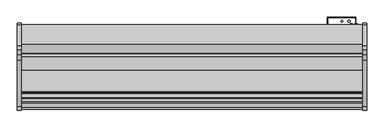
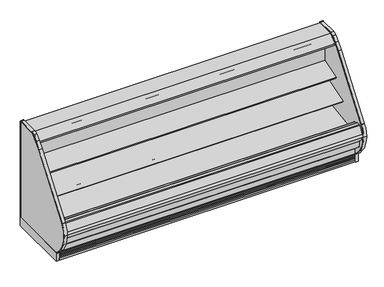
"""IFC4 building model written with IfcOpenShell, lengths in millimetres: proxy geometry."""

from ifc_helpers import new_model, si_unit, point, frame, frame_2d, origin, origin_with_axes, place, context, project, spatial, polyline, circle_curve, trimmed, segment, composite_curve, outline, extrude, source, transform, mapped, element, save
from ifc_brep_helpers import plane_surface, cylinder_surface, revolved_surface, advanced_brep


def mechanical_equipment_7a550331(model_context):
    return source(origin(), model_context, "Body", "SolidModel", [
        extrude(outline(composite_curve([segment(polyline([(-514.5184043, 1280.7980838), (-504.8108903, 1283.7963787), (-504.5441858, 1282.9328752), (-503.4770145, 1282.9328752), (-503.4770145, 1189.1685435), (-528.7722287, 1185.6157473)]), True, "CONTINUOUS"), segment(trimmed(circle_curve(frame_2d((-528.9121117, 1187.1894225)), 1.57988), [point((-528.7722287, 1185.6157473))], [point((-530.4766164, 1186.9695457))], False, "CARTESIAN"), True, "CONTINUOUS"), segment(polyline([(-530.4766164, 1186.9695457), (-531.3614261, 1193.2652938), (-530.5766584, 1193.3755857), (-529.5822638, 1186.3001005), (-506.0015054, 1189.61416), (-520.0975442, 1289.912687), (-542.8581255, 1286.8903314)]), True, "CONTINUOUS"), segment(trimmed(circle_curve(frame_2d((-542.7544773, 1286.109783)), 0.7874), [point((-542.8581255, 1286.8903314))], [point((-543.5350257, 1286.0061347))], True, "CARTESIAN"), True, "CONTINUOUS"), segment(polyline([(-543.5350257, 1286.0061347), (-542.5119167, 1278.3013646), (-543.2924653, 1278.1977184), (-544.3155741, 1285.9024865)]), True, "CONTINUOUS"), segment(trimmed(circle_curve(frame_2d((-542.7544773, 1286.109783)), 1.5748), [point((-544.3155741, 1285.9024865))], [point((-542.9617738, 1287.6708798))], False, "CARTESIAN"), True, "CONTINUOUS"), segment(polyline([(-542.9617738, 1287.6708798), (-518.9973626, 1290.8530909)]), True, "CONTINUOUS"), segment(trimmed(circle_curve(frame_2d((-518.7900661, 1289.2919941)), 1.5748), [point((-518.9973626, 1290.8530909))], [point((-517.2854014, 1289.7567298))], False, "CARTESIAN"), True, "CONTINUOUS"), segment(polyline([(-517.2854014, 1289.7567298), (-514.5184043, 1280.7980838)]), True, "CONTINUOUS")], self_intersect=False)), frame((0.0, 0.0, 0.0), z_axis=(1.0, 0.0, 0.0), x_axis=(0.0, 1.0, 0.0)), (0.0, 0.0, 1.0), 3657.6),
        extrude(outline(polyline([(-401.5089273, 1362.075), (-401.5089273, 1315.6470648), (-452.3089273, 1315.6470648), (-452.3089273, 1282.9328752), (-504.5441858, 1282.9328752), (-506.6234348, 1289.6648143), (-511.417881, 1288.1839857), (-535.4879211, 1316.8695425), (-642.2562389, 1316.8695425), (-643.0944389, 1316.0313425), (-643.0944389, 1304.9061425), (-643.6525285, 1303.7273324), (-688.2903714, 1267.1513324), (-689.2562818, 1266.8061425), (-700.752905, 1266.8061425), (-700.752905, 1264.8743669), (-715.8669232, 1264.8743669), (-715.8669232, 1283.1433169), (-715.2737617, 1284.3869059), (-619.3369552, 1362.075), (-401.5089273, 1362.075)])), frame((0.0, 0.0, 0.0), z_axis=(1.0, 0.0, 0.0), x_axis=(0.0, 1.0, 0.0)), (0.0, 0.0, 1.0), 3657.6),
        extrude(outline(composite_curve([segment(polyline([(-506.0015054, 1189.61416), (-529.5822638, 1186.3001005), (-530.5766584, 1193.3755857), (-542.5070926, 1278.2650359), (-543.5350257, 1286.0061347)]), True, "CONTINUOUS"), segment(trimmed(circle_curve(frame_2d((-542.7544773, 1286.109783)), 0.7874), [point((-543.5350257, 1286.0061347))], [point((-542.8581255, 1286.8903314))], False, "CARTESIAN"), True, "CONTINUOUS"), segment(polyline([(-542.8581255, 1286.8903314), (-520.0975442, 1289.912687), (-506.0015054, 1189.61416)]), True, "CONTINUOUS")], self_intersect=False)), frame((0.0, 0.0, 0.0), z_axis=(1.0, 0.0, 0.0), x_axis=(0.0, 1.0, 0.0)), (0.0, 0.0, 1.0), 3657.6),
        extrude(outline(composite_curve([segment(trimmed(circle_curve(frame_2d((-586.8315353, 1290.8268376)), 14.2875), [point((-601.1190353, 1290.8268376))], [point((-572.5440353, 1290.8268376))], False, "CARTESIAN"), True, "CONTINUOUS"), segment(trimmed(circle_curve(frame_2d((-586.8315353, 1290.8268376)), 14.2875), [point((-572.5440353, 1290.8268376))], [point((-601.1190353, 1290.8268376))], False, "CARTESIAN"), True, "CONTINUOUS")], self_intersect=False)), frame((0.0, 0.0, 0.0), z_axis=(1.0, 0.0, 0.0), x_axis=(0.0, 1.0, 0.0)), (0.0, 0.0, 1.0), 3657.6),
        extrude(outline(composite_curve([segment(trimmed(circle_curve(frame_2d((-624.2203353, 1290.8268376)), 14.2875), [point((-638.5078353, 1290.8268376))], [point((-609.9328353, 1290.8268376))], False, "CARTESIAN"), True, "CONTINUOUS"), segment(trimmed(circle_curve(frame_2d((-624.2203353, 1290.8268376)), 14.2875), [point((-609.9328353, 1290.8268376))], [point((-638.5078353, 1290.8268376))], False, "CARTESIAN"), True, "CONTINUOUS")], self_intersect=False)), frame((0.0, 0.0, 0.0), z_axis=(1.0, 0.0, 0.0), x_axis=(0.0, 1.0, 0.0)), (0.0, 0.0, 1.0), 3657.6),
        extrude(outline(composite_curve([segment(polyline([(-1152.4160029, 116.4176483), (-1152.4160029, 109.8489673)]), True, "CONTINUOUS"), segment(trimmed(circle_curve(frame_2d((-1137.0029315, 171.45)), 63.5), [point((-1152.4160029, 109.8489673))], [point((-1185.6467537, 130.6329868))], False, "CARTESIAN"), True, "CONTINUOUS"), segment(polyline([(-1185.6467537, 130.6329868), (-1235.6359944, 190.2078441)]), True, "CONTINUOUS"), segment(trimmed(circle_curve(frame_2d((-941.4801647, 437.0338923)), 383.9931644), [point((-1235.6359944, 190.2078441))], [point((-1325.4388699, 431.8896718))], False, "CARTESIAN"), True, "CONTINUOUS"), segment(trimmed(circle_curve(frame_2d((-1076.0701893, 427.3006938)), 249.410901), [point((-1325.4388699, 431.8896718))], [point((-1281.6253076, 568.555396))], False, "CARTESIAN"), True, "CONTINUOUS"), segment(trimmed(circle_curve(frame_2d((-1267.5211401, 561.2160445)), 15.8994849), [point((-1281.6253076, 568.555396))], [point((-1280.2425143, 570.7533533))], False, "CARTESIAN"), True, "CONTINUOUS"), segment(polyline([(-1280.2425143, 570.7533533), (-784.9351025, 1231.4209529)]), True, "CONTINUOUS"), segment(trimmed(circle_curve(frame_2d((-245.5130426, 827.0122237)), 674.1828973), [point((-784.9351025, 1231.4209529))], [point((-722.232341, 1303.7315221))], False, "CARTESIAN"), True, "CONTINUOUS"), segment(polyline([(-722.232341, 1303.7315221), (-669.2351533, 1356.7287098)]), True, "CONTINUOUS"), segment(trimmed(circle_curve(frame_2d((-625.6675547, 1313.1611112)), 61.6138888), [point((-669.2351533, 1356.7287098))], [point((-625.6675547, 1374.775))], False, "CARTESIAN"), True, "CONTINUOUS"), segment(polyline([(-625.6675547, 1374.775), (-403.2506698, 1374.775)]), True, "CONTINUOUS"), segment(trimmed(circle_curve(frame_2d((-403.2506698, 1357.1582575)), 17.6167425), [point((-403.2506698, 1374.775))], [point((-385.6339273, 1357.1582575))], False, "CARTESIAN"), True, "CONTINUOUS"), segment(polyline([(-385.6339273, 1357.1582575), (-385.6339273, 114.3), (-391.9839273, 114.3), (-391.9839273, 1357.1582575)]), True, "CONTINUOUS"), segment(trimmed(circle_curve(frame_2d((-403.2506698, 1357.1582575)), 11.2667425), [point((-391.9839273, 1357.1582575))], [point((-403.2506698, 1368.425))], True, "CARTESIAN"), True, "CONTINUOUS"), segment(polyline([(-403.2506698, 1368.425), (-625.6675547, 1368.425)]), True, "CONTINUOUS"), segment(trimmed(circle_curve(frame_2d((-625.6675547, 1313.1611112)), 55.2638888), [point((-625.6675547, 1368.425))], [point((-664.7450253, 1352.2385817))], True, "CARTESIAN"), True, "CONTINUOUS"), segment(polyline([(-664.7450253, 1352.2385817), (-717.7422129, 1299.2413941)]), True, "CONTINUOUS"), segment(trimmed(circle_curve(frame_2d((-245.5130426, 827.0122237)), 667.8328973), [point((-717.7422129, 1299.2413941))], [point((-779.8543891, 1227.6119043))], True, "CARTESIAN"), True, "CONTINUOUS"), segment(polyline([(-779.8543891, 1227.6119043), (-1275.1618009, 566.9443047)]), True, "CONTINUOUS"), segment(trimmed(circle_curve(frame_2d((-1267.5211401, 561.2160445)), 9.5494849), [point((-1275.1618009, 566.9443047))], [point((-1276.1447735, 565.3179477))], True, "CARTESIAN"), True, "CONTINUOUS"), segment(trimmed(circle_curve(frame_2d((-1076.0701893, 427.3006938)), 243.060901), [point((-1276.1447735, 565.3179477))], [point((-1319.0880705, 431.8735543))], True, "CARTESIAN"), True, "CONTINUOUS"), segment(trimmed(circle_curve(frame_2d((-941.4801647, 437.0338923)), 377.6431644), [point((-1319.0880705, 431.8735543))], [point((-1230.7716122, 194.2895454))], True, "CARTESIAN"), True, "CONTINUOUS"), segment(polyline([(-1230.7716122, 194.2895454), (-1180.7823715, 134.7146881)]), True, "CONTINUOUS"), segment(trimmed(circle_curve(frame_2d((-1137.0029315, 171.45)), 57.15), [point((-1180.7823715, 134.7146881))], [point((-1152.4160029, 116.4176483))], True, "CARTESIAN"), True, "CONTINUOUS")], self_intersect=False)), frame((3657.6, 0.0, 0.0), z_axis=(1.0, 0.0, 0.0), x_axis=(0.0, 1.0, 0.0)), (0.0, 0.0, 1.0), 38.1),
        extrude(outline(composite_curve([segment(trimmed(circle_curve(frame_2d((-1137.0029315, 171.45)), 57.15), [point((-1152.4160029, 116.4176483))], [point((-1180.7823715, 134.7146881))], False, "CARTESIAN"), True, "CONTINUOUS"), segment(polyline([(-1180.7823715, 134.7146881), (-1230.7716122, 194.2895454)]), True, "CONTINUOUS"), segment(trimmed(circle_curve(frame_2d((-941.4801647, 437.0338923)), 377.6431644), [point((-1230.7716122, 194.2895454))], [point((-1319.0880705, 431.8735543))], False, "CARTESIAN"), True, "CONTINUOUS"), segment(trimmed(circle_curve(frame_2d((-1076.0701893, 427.3006938)), 243.060901), [point((-1319.0880705, 431.8735543))], [point((-1270.5462172, 573.1008179))], False, "CARTESIAN"), True, "CONTINUOUS"), segment(polyline([(-1270.5462172, 573.1008179), (-779.8543891, 1227.6119043)]), True, "CONTINUOUS"), segment(trimmed(circle_curve(frame_2d((-245.5130426, 827.0122237)), 667.8328973), [point((-779.8543891, 1227.6119043))], [point((-717.7422129, 1299.2413941))], False, "CARTESIAN"), True, "CONTINUOUS"), segment(polyline([(-717.7422129, 1299.2413941), (-664.7450253, 1352.2385817)]), True, "CONTINUOUS"), segment(trimmed(circle_curve(frame_2d((-625.6675547, 1313.1611112)), 55.2638888), [point((-664.7450253, 1352.2385817))], [point((-625.6675547, 1368.425))], False, "CARTESIAN"), True, "CONTINUOUS"), segment(polyline([(-625.6675547, 1368.425), (-403.2506698, 1368.425)]), True, "CONTINUOUS"), segment(trimmed(circle_curve(frame_2d((-403.2506698, 1357.1582575)), 11.2667425), [point((-403.2506698, 1368.425))], [point((-391.9839273, 1357.1582575))], False, "CARTESIAN"), True, "CONTINUOUS"), segment(polyline([(-391.9839273, 1357.1582575), (-391.9839273, 114.3), (-1152.4160029, 114.3), (-1152.4160029, 116.4176483)]), True, "CONTINUOUS")], self_intersect=False)), frame((3657.6, 0.0, 0.0), z_axis=(1.0, 0.0, 0.0), x_axis=(0.0, 1.0, 0.0)), (0.0, 0.0, 1.0), 38.1),
        extrude(outline(polyline([(3695.7, -385.6339273), (3695.7, -1152.4160029), (3657.6, -1152.4160029), (3657.6, -385.6339273), (3695.7, -385.6339273)])), origin_with_axes(), (0.0, 0.0, 1.0), 114.3),
        extrude(outline(composite_curve([segment(trimmed(circle_curve(frame_2d((-1295.6519401, 432.0003811)), 17.0866011), [point((-1296.4879309, 414.9342433))], [point((-1296.7411816, 449.0522282))], False, "CARTESIAN"), True, "CONTINUOUS"), segment(trimmed(circle_curve(frame_2d((-1124.8312387, 403.6702581)), 177.7991891), [point((-1296.7411816, 449.0522282))], [point((-1298.0862131, 443.6110334))], True, "CARTESIAN"), True, "CONTINUOUS"), segment(trimmed(circle_curve(frame_2d((-1171.2742697, 436.2958797)), 127.0227557), [point((-1298.0862131, 443.6110334))], [point((-1296.4879309, 414.9342433))], True, "CARTESIAN"), True, "CONTINUOUS")], self_intersect=False)), frame((0.0, 0.0, 0.0), z_axis=(1.0, 0.0, 0.0), x_axis=(0.0, 1.0, 0.0)), (0.0, 0.0, 1.0), 3657.6),
        extrude(outline(composite_curve([segment(trimmed(circle_curve(frame_2d((3497.8362287, -1007.9339273)), 12.7), [point((3485.1362287, -1007.9339273))], [point((3510.5362287, -1007.9339273))], False, "CARTESIAN"), True, "CONTINUOUS"), segment(trimmed(circle_curve(frame_2d((3497.8362287, -1007.9339273)), 12.7), [point((3510.5362287, -1007.9339273))], [point((3485.1362287, -1007.9339273))], False, "CARTESIAN"), True, "CONTINUOUS")], self_intersect=False)), frame((0.0, 0.0, 68.5310382), z_axis=(0.0, 0.0, 1.0), x_axis=(1.0, 0.0, 0.0)), (0.0, 0.0, 1.0), 52.7807458),
        extrude(outline(composite_curve([segment(trimmed(circle_curve(frame_2d((3447.63831, -1007.9339273)), 9.525), [point((3438.11331, -1007.9339273))], [point((3457.16331, -1007.9339273))], False, "CARTESIAN"), True, "CONTINUOUS"), segment(trimmed(circle_curve(frame_2d((3447.63831, -1007.9339273)), 9.525), [point((3457.16331, -1007.9339273))], [point((3438.11331, -1007.9339273))], False, "CARTESIAN"), True, "CONTINUOUS")], self_intersect=False)), frame((0.0, 0.0, 68.5310382), z_axis=(0.0, 0.0, 1.0), x_axis=(1.0, 0.0, 0.0)), (0.0, 0.0, 1.0), 52.7807458),
        extrude(outline(polyline([(0.0, -385.6339273), (0.0, -1152.4160029), (-38.1, -1152.4160029), (-38.1, -385.6339273), (0.0, -385.6339273)])), origin_with_axes(), (0.0, 0.0, 1.0), 114.3),
        extrude(outline(composite_curve([segment(polyline([(-1152.4160029, 116.4176483), (-1152.4160029, 109.8489673)]), True, "CONTINUOUS"), segment(trimmed(circle_curve(frame_2d((-1137.0029315, 171.45)), 63.5), [point((-1152.4160029, 109.8489673))], [point((-1185.6467537, 130.6329868))], False, "CARTESIAN"), True, "CONTINUOUS"), segment(polyline([(-1185.6467537, 130.6329868), (-1235.6359944, 190.2078441)]), True, "CONTINUOUS"), segment(trimmed(circle_curve(frame_2d((-941.4801647, 437.0338923)), 383.9931644), [point((-1235.6359944, 190.2078441))], [point((-1325.4388699, 431.8896718))], False, "CARTESIAN"), True, "CONTINUOUS"), segment(trimmed(circle_curve(frame_2d((-1076.0701893, 427.3006938)), 249.410901), [point((-1325.4388699, 431.8896718))], [point((-1281.6253076, 568.555396))], False, "CARTESIAN"), True, "CONTINUOUS"), segment(trimmed(circle_curve(frame_2d((-1267.5211401, 561.2160445)), 15.8994849), [point((-1281.6253076, 568.555396))], [point((-1280.2425143, 570.7533533))], False, "CARTESIAN"), True, "CONTINUOUS"), segment(polyline([(-1280.2425143, 570.7533533), (-784.9351025, 1231.4209529)]), True, "CONTINUOUS"), segment(trimmed(circle_curve(frame_2d((-245.5130426, 827.0122237)), 674.1828973), [point((-784.9351025, 1231.4209529))], [point((-722.232341, 1303.7315221))], False, "CARTESIAN"), True, "CONTINUOUS"), segment(polyline([(-722.232341, 1303.7315221), (-669.2351533, 1356.7287098)]), True, "CONTINUOUS"), segment(trimmed(circle_curve(frame_2d((-625.6675547, 1313.1611112)), 61.6138888), [point((-669.2351533, 1356.7287098))], [point((-625.6675547, 1374.775))], False, "CARTESIAN"), True, "CONTINUOUS"), segment(polyline([(-625.6675547, 1374.775), (-403.2506698, 1374.775)]), True, "CONTINUOUS"), segment(trimmed(circle_curve(frame_2d((-403.2506698, 1357.1582575)), 17.6167425), [point((-403.2506698, 1374.775))], [point((-385.6339273, 1357.1582575))], False, "CARTESIAN"), True, "CONTINUOUS"), segment(polyline([(-385.6339273, 1357.1582575), (-385.6339273, 114.3), (-391.9839273, 114.3), (-391.9839273, 1357.1582575)]), True, "CONTINUOUS"), segment(trimmed(circle_curve(frame_2d((-403.2506698, 1357.1582575)), 11.2667425), [point((-391.9839273, 1357.1582575))], [point((-403.2506698, 1368.425))], True, "CARTESIAN"), True, "CONTINUOUS"), segment(polyline([(-403.2506698, 1368.425), (-625.6675547, 1368.425)]), True, "CONTINUOUS"), segment(trimmed(circle_curve(frame_2d((-625.6675547, 1313.1611112)), 55.2638888), [point((-625.6675547, 1368.425))], [point((-664.7450253, 1352.2385817))], True, "CARTESIAN"), True, "CONTINUOUS"), segment(polyline([(-664.7450253, 1352.2385817), (-717.7422129, 1299.2413941)]), True, "CONTINUOUS"), segment(trimmed(circle_curve(frame_2d((-245.5130426, 827.0122237)), 667.8328973), [point((-717.7422129, 1299.2413941))], [point((-779.8543891, 1227.6119043))], True, "CARTESIAN"), True, "CONTINUOUS"), segment(polyline([(-779.8543891, 1227.6119043), (-1270.5462172, 573.1008179)]), True, "CONTINUOUS"), segment(trimmed(circle_curve(frame_2d((-1076.0701893, 427.3006938)), 243.060901), [point((-1270.5462172, 573.1008179))], [point((-1319.0880705, 431.8735543))], True, "CARTESIAN"), True, "CONTINUOUS"), segment(trimmed(circle_curve(frame_2d((-941.4801647, 437.0338923)), 377.6431644), [point((-1319.0880705, 431.8735543))], [point((-1230.7716122, 194.2895454))], True, "CARTESIAN"), True, "CONTINUOUS"), segment(polyline([(-1230.7716122, 194.2895454), (-1180.7823715, 134.7146881)]), True, "CONTINUOUS"), segment(trimmed(circle_curve(frame_2d((-1137.0029315, 171.45)), 57.15), [point((-1180.7823715, 134.7146881))], [point((-1152.4160029, 116.4176483))], True, "CARTESIAN"), True, "CONTINUOUS")], self_intersect=False)), frame((-38.1, 0.0, 0.0), z_axis=(1.0, 0.0, 0.0), x_axis=(0.0, 1.0, 0.0)), (0.0, 0.0, 1.0), 38.1),
        extrude(outline(composite_curve([segment(trimmed(circle_curve(frame_2d((-1137.0029315, 171.45)), 57.15), [point((-1152.4160029, 116.4176483))], [point((-1180.7823715, 134.7146881))], False, "CARTESIAN"), True, "CONTINUOUS"), segment(polyline([(-1180.7823715, 134.7146881), (-1230.7716122, 194.2895454)]), True, "CONTINUOUS"), segment(trimmed(circle_curve(frame_2d((-941.4801647, 437.0338923)), 377.6431644), [point((-1230.7716122, 194.2895454))], [point((-1319.0880705, 431.8735543))], False, "CARTESIAN"), True, "CONTINUOUS"), segment(trimmed(circle_curve(frame_2d((-1076.0701893, 427.3006938)), 243.060901), [point((-1319.0880705, 431.8735543))], [point((-1270.5462172, 573.1008179))], False, "CARTESIAN"), True, "CONTINUOUS"), segment(polyline([(-1270.5462172, 573.1008179), (-779.8543891, 1227.6119043)]), True, "CONTINUOUS"), segment(trimmed(circle_curve(frame_2d((-245.5130426, 827.0122237)), 667.8328973), [point((-779.8543891, 1227.6119043))], [point((-717.7422129, 1299.2413941))], False, "CARTESIAN"), True, "CONTINUOUS"), segment(polyline([(-717.7422129, 1299.2413941), (-664.7450253, 1352.2385817)]), True, "CONTINUOUS"), segment(trimmed(circle_curve(frame_2d((-625.6675547, 1313.1611112)), 55.2638888), [point((-664.7450253, 1352.2385817))], [point((-625.6675547, 1368.425))], False, "CARTESIAN"), True, "CONTINUOUS"), segment(polyline([(-625.6675547, 1368.425), (-403.2506698, 1368.425)]), True, "CONTINUOUS"), segment(trimmed(circle_curve(frame_2d((-403.2506698, 1357.1582575)), 11.2667425), [point((-403.2506698, 1368.425))], [point((-391.9839273, 1357.1582575))], False, "CARTESIAN"), True, "CONTINUOUS"), segment(polyline([(-391.9839273, 1357.1582575), (-391.9839273, 114.3), (-1152.4160029, 114.3), (-1152.4160029, 116.4176483)]), True, "CONTINUOUS")], self_intersect=False)), frame((-38.1, 0.0, 0.0), z_axis=(1.0, 0.0, 0.0), x_axis=(0.0, 1.0, 0.0)), (0.0, 0.0, 1.0), 38.1),
        extrude(outline(polyline([(3578.225, -401.5089273), (3578.225, -328.4839273), (3279.775, -328.4839273), (3279.775, -401.5089273), (3276.6, -401.5089273), (3276.6, -325.3089273), (3581.4, -325.3089273), (3581.4, -401.5089273), (3578.225, -401.5089273)])), frame((0.0, 0.0, 522.6122796), z_axis=(0.0, 0.0, 1.0), x_axis=(1.0, 0.0, 0.0)), (0.0, 0.0, 1.0), 710.3489092),
        advanced_brep(
        [(0.0, -401.5089273, 1315.6470648), (0.0, -401.5089273, 130.175), (0.0, -1092.9329421, 130.175), (0.0, -1242.6779256, 255.8259604), (0.0, -1242.6779256, 390.4771975), (0.0, -1191.6695874, 390.4771975), (0.0, -1191.6695874, 280.6965658), (0.0, -1081.6882807, 188.4112919), (0.0, -1075.5167374, 188.6268069), (0.0, -1036.8125365, 160.6272219), (0.0, -1035.5745571, 160.670453), (0.0, -1022.2030531, 151.6562137), (0.0, -961.9148015, 153.7615258), (0.0, -949.2046713, 163.6865559), (0.0, -947.966692, 163.7297871), (0.0, -911.2586215, 194.4039054), (0.0, -452.3089273, 210.4307819), (0.0, -452.3089273, 1315.6470648), (3657.6, -401.5089273, 1315.6470648), (3657.6, -452.3089273, 1315.6470648), (3657.6, -452.3089273, 210.4307819), (3657.6, -911.2586215, 194.4039054), (3657.6, -947.966692, 163.7297871), (3657.6, -949.2046713, 163.6865559), (3657.6, -961.9148015, 153.7615258), (3657.6, -1022.2030531, 151.6562137), (3657.6, -1035.5745571, 160.670453), (3657.6, -1036.8125365, 160.6272219), (3657.6, -1075.5167374, 188.6268069), (3657.6, -1081.6882807, 188.4112919), (3657.6, -1191.6695874, 280.6965658), (3657.6, -1191.6695874, 390.4771975), (3657.6, -1242.6779256, 390.4771975), (3657.6, -1242.6779256, 255.8259604), (3657.6, -1092.9329421, 130.175), (3657.6, -401.5089273, 130.175), (3556.0, -401.5089273, 368.3), (3556.0, -401.5089273, 266.7), (3556.0, -446.7209273, 266.7), (3556.0, -446.7209273, 368.3)],
        [
            (0, 1),
            (1, 2),
            (2, 3),
            (3, 4),
            (4, 5),
            (5, 6),
            (6, 7),
            (7, 8),
            (8, 9),
            (9, 10),
            (10, 11),
            (11, 12),
            (12, 13),
            (13, 14),
            (14, 15),
            (15, 16),
            (16, 17),
            (17, 0),
            (18, 19),
            (19, 20),
            (20, 21),
            (21, 22),
            (22, 23),
            (23, 24),
            (24, 25),
            (25, 26),
            (26, 27),
            (27, 28),
            (28, 29),
            (29, 30),
            (30, 31),
            (31, 32),
            (32, 33),
            (33, 34),
            (34, 35),
            (35, 18),
            (17, 19),
            (18, 0),
            (16, 20),
            (1, 35),
            (34, 2),
            (36, 37, circle_curve(frame((3556.0, -401.5089273, 317.5), z_axis=(0.0, -1.0, 0.0), x_axis=(0.0, 0.0, 1.0)), 50.8)),
            (37, 36, circle_curve(frame((3556.0, -401.5089273, 317.5), z_axis=(0.0, -1.0, 0.0), x_axis=(0.0, 0.0, 1.0)), 50.8)),
            (38, 39, circle_curve(frame((3556.0, -446.7209273, 317.5), z_axis=(0.0, 1.0, 0.0), x_axis=(0.0, 0.0, 1.0)), 50.8)),
            (39, 38, circle_curve(frame((3556.0, -446.7209273, 317.5), z_axis=(0.0, 1.0, 0.0), x_axis=(0.0, 0.0, 1.0)), 50.8)),
            (38, 37),
            (36, 39),
            (15, 21),
            (14, 22),
            (13, 23),
            (12, 24),
            (11, 25),
            (10, 26),
            (9, 27),
            (8, 28),
            (7, 29),
            (6, 30),
            (5, 31),
            (4, 32),
            (3, 33),
        ],
        [
            plane_surface(frame((0.0, -452.3089273, 1315.6470648), z_axis=(-1.0, 0.0, 0.0), x_axis=(0.0, 1.0, 0.0))),
            plane_surface(frame((3657.6, -452.3089273, 1315.6470648), z_axis=(1.0, 0.0, 0.0), x_axis=(0.0, -1.0, 0.0))),
            plane_surface(frame((3657.6, -401.5089273, 1315.6470648), z_axis=(0.0, 0.0, 1.0), x_axis=(-1.0, 0.0, 0.0))),
            plane_surface(frame((3657.6, -452.3089273, 1315.6470648), z_axis=(0.0, -1.0, 0.0), x_axis=(-1.0, 0.0, 0.0))),
            plane_surface(frame((3657.6, -1092.9329421, 130.175), z_axis=(0.0, 0.0, -1.0), x_axis=(-1.0, 0.0, 0.0))),
            plane_surface(frame((3657.6, -401.5089273, 130.175), z_axis=(0.0, 1.0, 0.0), x_axis=(-1.0, 0.0, 0.0))),
            plane_surface(frame((3556.0, -446.7209273, 368.3), z_axis=(0.0, 1.0, 0.0), x_axis=(-1.0, 0.0, 0.0))),
            revolved_surface(polyline([(3556.0, -401.5089273, 368.3), (3556.0, -446.7209273, 368.3)]), (3556.0, -446.7209273, 317.5), (0.0, 1.0, 0.0)),
            plane_surface(frame((3657.6, -452.3089273, 210.4307819), z_axis=(0.0, -0.034899496702464096, 0.9993908270190971), x_axis=(-1.0, 0.0, 0.0))),
            plane_surface(frame((3657.6, -911.2586215, 194.4039054), z_axis=(0.0, -0.6412208566386186, 0.7673563794037528), x_axis=(-1.0, 0.0, 0.0))),
            plane_surface(frame((3657.6, -947.966692, 163.7297871), z_axis=(0.0, -0.03489949670032392, 0.9993908270191718), x_axis=(-1.0, 0.0, 0.0))),
            plane_surface(frame((3657.6, -949.2046713, 163.6865559), z_axis=(0.0, -0.6154607629252682, 0.7881675261639793), x_axis=(-1.0, 0.0, 0.0))),
            plane_surface(frame((3657.6, -961.9148015, 153.7615258), z_axis=(0.0, -0.03489949670245096, 0.9993908270190975), x_axis=(-1.0, 0.0, 0.0))),
            plane_surface(frame((3657.6, -1022.2030531, 151.6562137), z_axis=(0.0, 0.5589817440968015, 0.8291799622316606), x_axis=(-1.0, 0.0, 0.0))),
            plane_surface(frame((3657.6, -1035.5745571, 160.670453), z_axis=(0.0, -0.03489949670146529, 0.999390827019132), x_axis=(-1.0, 0.0, 0.0))),
            plane_surface(frame((3657.6, -1036.8125365, 160.6272219), z_axis=(0.0, 0.5861307997256017, 0.810216443682197), x_axis=(-1.0, 0.0, 0.0))),
            plane_surface(frame((3657.6, -1075.5167374, 188.6268069), z_axis=(0.0, -0.034899496703538944, 0.9993908270190596), x_axis=(-1.0, 0.0, 0.0))),
            plane_surface(frame((3657.6, -1081.6882807, 188.4112919), z_axis=(0.0, 0.6427876096870883, 0.7660444431185175), x_axis=(-1.0, 0.0, 0.0))),
            plane_surface(frame((3657.6, -1191.6695874, 280.6965658), z_axis=(0.0, 1.0, 0.0), x_axis=(-1.0, 0.0, 0.0))),
            plane_surface(frame((3657.6, -1191.6695874, 390.4771975), z_axis=(0.0, 0.0, 1.0), x_axis=(-1.0, 0.0, 0.0))),
            plane_surface(frame((3657.6, -1242.6779256, 390.4771975), z_axis=(0.0, -1.0, 0.0), x_axis=(-1.0, 0.0, 0.0))),
            plane_surface(frame((3657.6, -1242.6779256, 255.8259604), z_axis=(0.0, -0.6427876096870784, -0.7660444431185257), x_axis=(-1.0, 0.0, 0.0))),
        ],
        [
            (0, [[1, 2, 3, 4, 5, 6, 7, 8, 9, 10, 11, 12, 13, 14, 15, 16, 17, 18]]),
            (1, [[19, 20, 21, 22, 23, 24, 25, 26, 27, 28, 29, 30, 31, 32, 33, 34, 35, 36]]),
            (2, [[-18, 37, -19, 38]]),
            (3, [[-17, 39, -20, -37]]),
            (4, [[-2, 40, -35, 41]]),
            (5, [[-1, -38, -36, -40], [42, 43]]),
            (6, [[44, 45]]),
            (7, [[-44, 46, -42, 47]]),
            (7, [[-45, -47, -43, -46]]),
            (8, [[-16, 48, -21, -39]]),
            (9, [[-15, 49, -22, -48]]),
            (10, [[-14, 50, -23, -49]]),
            (11, [[-13, 51, -24, -50]]),
            (12, [[-12, 52, -25, -51]]),
            (13, [[-11, 53, -26, -52]]),
            (14, [[-10, 54, -27, -53]]),
            (15, [[-9, 55, -28, -54]]),
            (16, [[-8, 56, -29, -55]]),
            (17, [[-7, 57, -30, -56]]),
            (18, [[-6, 58, -31, -57]]),
            (19, [[-5, 59, -32, -58]]),
            (20, [[-4, 60, -33, -59]]),
            (21, [[-3, -41, -34, -60]]),
        ],
    ),
        extrude(outline(composite_curve([segment(polyline([(-503.4770145, 937.5443045), (-503.4770145, 859.0243135), (-520.8520366, 853.3874898)]), True, "CONTINUOUS"), segment(trimmed(circle_curve(frame_2d((-528.6901714, 877.5478632)), 25.4), [point((-520.8520366, 853.3874898))], [point((-538.1963728, 853.9938373))], False, "CARTESIAN"), True, "CONTINUOUS"), segment(polyline([(-538.1963728, 853.9938373), (-559.4917706, 862.5884758)]), True, "CONTINUOUS"), segment(trimmed(circle_curve(frame_2d((-583.257274, 803.7034111)), 63.5), [point((-559.4917706, 862.5884758))], [point((-594.1259367, 866.2663568))], True, "CARTESIAN"), True, "CONTINUOUS"), segment(polyline([(-594.1259367, 866.2663568), (-683.313755, 863.7788055), (-685.7433991, 866.6337458), (-742.2197274, 849.3671994), (-746.4657163, 863.2552031), (-503.4770145, 937.5443045)]), True, "CONTINUOUS")], self_intersect=False)), frame((0.0, 0.0, 0.0), z_axis=(1.0, 0.0, 0.0), x_axis=(0.0, 1.0, 0.0)), (0.0, 0.0, 1.0), 3657.6),
        extrude(outline(composite_curve([segment(polyline([(-503.4770145, 681.5615222), (-521.9044919, 675.5832597)]), True, "CONTINUOUS"), segment(trimmed(circle_curve(frame_2d((-528.6901714, 700.0600764)), 25.4), [point((-521.9044919, 675.5832597))], [point((-538.1963728, 676.5060505))], False, "CARTESIAN"), True, "CONTINUOUS"), segment(polyline([(-538.1963728, 676.5060505), (-559.4917706, 685.1006891)]), True, "CONTINUOUS"), segment(trimmed(circle_curve(frame_2d((-583.257274, 626.2156243)), 63.5), [point((-559.4917706, 685.1006891))], [point((-594.1259367, 688.77857))], True, "CARTESIAN"), True, "CONTINUOUS"), segment(polyline([(-594.1259367, 688.77857), (-829.0545998, 641.733571), (-831.4842439, 644.5885112), (-887.9605722, 627.3219649), (-892.1192674, 640.9244437), (-503.4770145, 759.7443045), (-503.4770145, 681.5615222)]), True, "CONTINUOUS")], self_intersect=False)), frame((0.0, 0.0, 0.0), z_axis=(1.0, 0.0, 0.0), x_axis=(0.0, 1.0, 0.0)), (0.0, 0.0, 1.0), 3657.6),
        extrude(outline(composite_curve([segment(polyline([(-1234.580957, 539.75), (-1192.162957, 539.75)]), True, "CONTINUOUS"), segment(trimmed(circle_curve(frame_2d((-1192.162957, 536.575)), 3.175), [point((-1192.162957, 539.75))], [point((-1188.987957, 536.575))], False, "CARTESIAN"), True, "CONTINUOUS"), segment(polyline([(-1188.987957, 536.575), (-1188.987957, 522.6122796), (-1191.6695874, 522.6122796), (-1191.6695874, 390.4771975), (-1244.2904909, 390.4771975), (-1244.2904909, 349.7062579), (-1261.7638107, 349.7062579)]), True, "CONTINUOUS"), segment(trimmed(circle_curve(frame_2d((-1261.7638107, 355.8622108)), 6.1559529), [point((-1261.7638107, 349.7062579))], [point((-1266.343409, 351.7484491))], False, "CARTESIAN"), True, "CONTINUOUS"), segment(trimmed(circle_curve(frame_2d((-1171.176313, 436.1498983)), 127.2021258), [point((-1266.343409, 351.7484491))], [point((-1298.1692965, 443.441191))], False, "CARTESIAN"), True, "CONTINUOUS"), segment(trimmed(circle_curve(frame_2d((-1124.5594453, 405.0685499)), 177.8), [point((-1298.1692965, 443.441191))], [point((-1245.3673798, 535.5226912))], False, "CARTESIAN"), True, "CONTINUOUS"), segment(trimmed(circle_curve(frame_2d((-1234.580957, 523.875)), 15.875), [point((-1245.3673798, 535.5226912))], [point((-1234.580957, 539.75))], False, "CARTESIAN"), True, "CONTINUOUS")], self_intersect=False)), frame((0.0, 0.0, 0.0), z_axis=(1.0, 0.0, 0.0), x_axis=(0.0, 1.0, 0.0)), (0.0, 0.0, 1.0), 3657.6),
        extrude(outline(composite_curve([segment(polyline([(-1117.0624519, 150.4220627), (-1117.0624519, 0.0), (-1148.0584493, 0.0), (-1148.0584493, 21.591952)]), True, "CONTINUOUS"), segment(trimmed(circle_curve(frame_2d((-1147.5226258, 35.2873287)), 13.7058546), [point((-1148.0584493, 21.591952))], [point((-1134.4406464, 31.1992648))], True, "CARTESIAN"), True, "CONTINUOUS"), segment(polyline([(-1134.4406464, 31.1992648), (-1131.6258599, 40.2067021), (-1143.5826446, 40.2067021), (-1143.5826446, 52.9067021)]), True, "CONTINUOUS"), segment(trimmed(circle_curve(frame_2d((-1148.0005124, 66.4088493)), 14.2065314), [point((-1143.5826446, 52.9067021))], [point((-1134.4406464, 62.1714479))], True, "CARTESIAN"), True, "CONTINUOUS"), segment(polyline([(-1134.4406464, 62.1714479), (-1131.6258599, 71.1788852), (-1143.5826446, 71.1788852), (-1143.5826446, 83.8788852)]), True, "CONTINUOUS"), segment(trimmed(circle_curve(frame_2d((-1148.0728877, 97.4524489)), 14.2969897), [point((-1143.5826446, 83.8788852))], [point((-1134.4406464, 93.143631))], True, "CARTESIAN"), True, "CONTINUOUS"), segment(polyline([(-1134.4406464, 93.143631), (-1130.9515493, 104.1824391), (-1130.9515493, 107.8329403), (-1143.8191893, 107.8329403), (-1143.8191893, 172.8736313), (-1117.0624519, 150.4220627)]), True, "CONTINUOUS")], self_intersect=False)), frame((0.0, 0.0, 0.0), z_axis=(1.0, 0.0, 0.0), x_axis=(0.0, 1.0, 0.0)), (0.0, 0.0, 1.0), 3657.6),
        extrude(outline(composite_curve([segment(trimmed(circle_curve(frame_2d((3432.175, -366.5839273)), 9.525), [point((3422.65, -366.5839273))], [point((3441.7, -366.5839273))], False, "CARTESIAN"), True, "CONTINUOUS"), segment(trimmed(circle_curve(frame_2d((3432.175, -366.5839273)), 9.525), [point((3441.7, -366.5839273))], [point((3422.65, -366.5839273))], False, "CARTESIAN"), True, "CONTINUOUS")], self_intersect=False)), frame((0.0, 0.0, 1070.4944621), z_axis=(0.0, 0.0, 1.0), x_axis=(1.0, 0.0, 0.0)), (0.0, 0.0, 1.0), 186.3418705),
        extrude(outline(composite_curve([segment(trimmed(circle_curve(frame_2d((3508.375, -366.5839273)), 12.7), [point((3495.675, -366.5839273))], [point((3521.075, -366.5839273))], False, "CARTESIAN"), True, "CONTINUOUS"), segment(trimmed(circle_curve(frame_2d((3508.375, -366.5839273)), 12.7), [point((3521.075, -366.5839273))], [point((3495.675, -366.5839273))], False, "CARTESIAN"), True, "CONTINUOUS")], self_intersect=False)), frame((0.0, 0.0, 1070.4944621), z_axis=(0.0, 0.0, 1.0), x_axis=(1.0, 0.0, 0.0)), (0.0, 0.0, 1.0), 186.3418705),
        extrude(outline(composite_curve([segment(trimmed(circle_curve(frame_2d((317.5, 3581.4)), 12.7), [point((317.5, 3594.1))], [point((317.5, 3568.7))], False, "CARTESIAN"), True, "CONTINUOUS"), segment(trimmed(circle_curve(frame_2d((317.5, 3581.4)), 12.7), [point((317.5, 3568.7))], [point((317.5, 3594.1))], False, "CARTESIAN"), True, "CONTINUOUS")], self_intersect=False)), frame((0.0, -446.7209273, 0.0), z_axis=(0.0, 1.0, 0.0), x_axis=(0.0, 0.0, 1.0)), (0.0, 0.0, 1.0), 52.8518438),
        extrude(outline(composite_curve([segment(trimmed(circle_curve(frame_2d((317.5, 3530.6)), 9.525), [point((317.5, 3540.125))], [point((317.5, 3521.075))], False, "CARTESIAN"), True, "CONTINUOUS"), segment(trimmed(circle_curve(frame_2d((317.5, 3530.6)), 9.525), [point((317.5, 3521.075))], [point((317.5, 3540.125))], False, "CARTESIAN"), True, "CONTINUOUS")], self_intersect=False)), frame((0.0, -446.7209273, 0.0), z_axis=(0.0, 1.0, 0.0), x_axis=(0.0, 0.0, 1.0)), (0.0, 0.0, 1.0), 52.8518438),
        extrude(outline(composite_curve([segment(trimmed(circle_curve(frame_2d((1828.8, -988.8839273)), 38.1), [point((1790.7, -988.8839273))], [point((1866.9, -988.8839273))], False, "CARTESIAN"), True, "CONTINUOUS"), segment(trimmed(circle_curve(frame_2d((1828.8, -988.8839273)), 38.1), [point((1866.9, -988.8839273))], [point((1790.7, -988.8839273))], False, "CARTESIAN"), True, "CONTINUOUS")], self_intersect=False)), frame((0.0, 0.0, 68.5310382), z_axis=(0.0, 0.0, 1.0), x_axis=(1.0, 0.0, 0.0)), (0.0, 0.0, 1.0), 52.7807458),
        advanced_brep(
        [(0.0, -1018.0355073, 16.9113003), (0.0, -1117.0624519, 16.9113003), (0.0, -1117.0624519, 150.4220627), (0.0, -1092.9329421, 130.175), (0.0, -1018.0355073, 130.175), (3657.6, -1018.0355073, 16.9113003), (3657.6, -1018.0355073, 130.175), (3657.6, -1092.9329421, 130.175), (3657.6, -1117.0624519, 150.4220627), (3657.6, -1117.0624519, 16.9113003), (3526.4105208, -1018.0355073, 16.9113003), (3526.4105208, -1018.0355073, 121.311784), (3426.8394792, -1018.0355073, 121.311784), (3426.8394792, -1018.0355073, 16.9113003), (1870.4031896, -1018.0355073, 16.9113003), (1870.4031896, -1018.0355073, 121.311784), (1787.1968104, -1018.0355073, 121.311784), (1787.1968104, -1018.0355073, 16.9113003)],
        [
            (0, 1),
            (1, 2),
            (2, 3),
            (3, 4),
            (4, 0),
            (5, 6),
            (6, 7),
            (7, 8),
            (8, 9),
            (9, 5),
            (4, 6),
            (5, 10),
            (10, 11),
            (11, 12),
            (12, 13),
            (13, 14),
            (14, 15),
            (15, 16),
            (16, 17),
            (17, 0),
            (3, 7),
            (17, 14, circle_curve(frame((1828.8, -988.8839273, 16.9113003), z_axis=(0.0, 0.0, 1.0), x_axis=(1.0, 0.0, 0.0)), 50.8)),
            (13, 10, circle_curve(frame((3476.625, -1007.9339273, 16.9113003), z_axis=(0.0, 0.0, 1.0), x_axis=(1.0, 0.0, 0.0)), 50.8)),
            (9, 1),
            (15, 16, circle_curve(frame((1828.8, -988.8839273, 121.311784), z_axis=(0.0, 0.0, -1.0), x_axis=(1.0, 0.0, 0.0)), 50.8)),
            (8, 2),
            (11, 12, circle_curve(frame((3476.625, -1007.9339273, 121.311784), z_axis=(0.0, 0.0, -1.0), x_axis=(1.0, 0.0, 0.0)), 50.8)),
        ],
        [
            plane_surface(frame((0.0, -1018.0355073, 130.175), z_axis=(-1.0, 0.0, 0.0), x_axis=(0.0, 0.0, -1.0))),
            plane_surface(frame((3657.6, -1018.0355073, 130.175), z_axis=(1.0, 0.0, 0.0), x_axis=(0.0, 0.0, 1.0))),
            plane_surface(frame((3657.6, -1018.0355073, 16.9113003), z_axis=(0.0, 1.0, 0.0), x_axis=(-1.0, 0.0, 0.0))),
            plane_surface(frame((3657.6, -1018.0355073, 130.175), z_axis=(0.0, 0.0, 1.0), x_axis=(-1.0, 0.0, 0.0))),
            plane_surface(frame((3657.6, -1117.0624519, 16.9113003), z_axis=(0.0, 0.0, -1.0), x_axis=(-1.0, 0.0, 0.0))),
            plane_surface(frame((1879.6, -988.8839273, 121.311784), z_axis=(0.0, 0.0, -1.0), x_axis=(0.0, 1.0, 0.0))),
            revolved_surface(polyline([(1879.6, -988.8839273, 121.311784), (1879.6, -988.8839273, 16.9113003)]), (1828.8, -988.8839273, 0.0), (0.0, 0.0, 1.0)),
            plane_surface(frame((3657.6, -1117.0624519, 150.4220627), z_axis=(0.0, -1.0, 0.0), x_axis=(-1.0, 0.0, 0.0))),
            plane_surface(frame((3657.6, -1092.9329421, 130.175), z_axis=(0.0, 0.6427876096870792, 0.766044443118525), x_axis=(-1.0, 0.0, 0.0))),
            plane_surface(frame((3527.425, -1007.9339273, 121.311784), z_axis=(0.0, 0.0, -1.0), x_axis=(0.0, 1.0, 0.0))),
            revolved_surface(polyline([(3527.425, -1007.9339273, 121.311784), (3527.425, -1007.9339273, 16.9113003)]), (3476.625, -1007.9339273, 0.0), (0.0, 0.0, 1.0)),
        ],
        [
            (0, [[1, 2, 3, 4, 5]]),
            (1, [[6, 7, 8, 9, 10]]),
            (2, [[-5, 11, -6, 12, 13, 14, 15, 16, 17, 18, 19, 20]]),
            (3, [[-4, 21, -7, -11]]),
            (4, [[-1, -20, 22, -16, 23, -12, -10, 24]]),
            (5, [[25, -18]]),
            (6, [[-25, -17, -22, -19]]),
            (7, [[-2, -24, -9, 26]]),
            (8, [[-3, -26, -8, -21]]),
            (9, [[27, -14]]),
            (10, [[-27, -13, -23, -15]]),
        ],
    ),
        advanced_brep(
        [(0.0, -401.5089273, 130.175), (0.0, -401.5089273, 0.0), (0.0, -446.7209273, 0.0), (0.0, -446.7209273, 74.8810382), (0.0, -972.7046625, 74.8810382), (0.0, -972.7046625, 0.0), (0.0, -1018.0355073, 0.0), (0.0, -1018.0355073, 130.175), (3657.6, -401.5089273, 130.175), (3657.6, -1018.0355073, 130.175), (3657.6, -1018.0355073, 0.0), (3657.6, -972.7046625, 0.0), (3657.6, -972.7046625, 74.8810382), (3657.6, -446.7209273, 74.8810382), (3657.6, -446.7209273, 0.0), (3657.6, -401.5089273, 0.0), (1787.1968104, -1018.0355073, 0.0), (1787.1968104, -1018.0355073, 121.311784), (1870.4031896, -1018.0355073, 121.311784), (1870.4031896, -1018.0355073, 0.0), (3426.8394792, -1018.0355073, 0.0), (3426.8394792, -1018.0355073, 121.311784), (3526.4105208, -1018.0355073, 121.311784), (3526.4105208, -1018.0355073, 0.0), (1780.6453388, -972.7046625, 0.0), (1778.0, -988.8839273, 0.0), (3527.425, -1007.9339273, 0.0), (3513.2247118, -972.7046625, 0.0), (1879.6, -988.8839273, 0.0), (1876.9546612, -972.7046625, 0.0), (3440.0252882, -972.7046625, 0.0), (3425.825, -1007.9339273, 0.0), (1780.6453388, -972.7046625, 74.8810382), (3513.2247118, -972.7046625, 74.8810382), (1876.9546612, -972.7046625, 74.8810382), (3440.0252882, -972.7046625, 74.8810382), (1778.0, -988.8839273, 121.311784), (1879.6, -988.8839273, 121.311784), (3425.825, -1007.9339273, 121.311784), (3527.425, -1007.9339273, 121.311784)],
        [
            (0, 1),
            (1, 2),
            (2, 3),
            (3, 4),
            (4, 5),
            (5, 6),
            (6, 7),
            (7, 0),
            (8, 9),
            (9, 10),
            (10, 11),
            (11, 12),
            (12, 13),
            (13, 14),
            (14, 15),
            (15, 8),
            (7, 9),
            (8, 0),
            (6, 16),
            (16, 17),
            (17, 18),
            (18, 19),
            (19, 20),
            (20, 21),
            (21, 22),
            (22, 23),
            (23, 10),
            (5, 24),
            (24, 25, circle_curve(frame((1828.8, -988.8839273, 0.0), z_axis=(0.0, 0.0, 1.0), x_axis=(1.0, 0.0, 0.0)), 50.8)),
            (25, 16, circle_curve(frame((1828.8, -988.8839273, 0.0), z_axis=(0.0, 0.0, 1.0), x_axis=(1.0, 0.0, 0.0)), 50.8)),
            (23, 26, circle_curve(frame((3476.625, -1007.9339273, 0.0), z_axis=(0.0, 0.0, 1.0), x_axis=(1.0, 0.0, 0.0)), 50.8)),
            (26, 27, circle_curve(frame((3476.625, -1007.9339273, 0.0), z_axis=(0.0, 0.0, 1.0), x_axis=(1.0, 0.0, 0.0)), 50.8)),
            (27, 11),
            (19, 28, circle_curve(frame((1828.8, -988.8839273, 0.0), z_axis=(0.0, 0.0, 1.0), x_axis=(1.0, 0.0, 0.0)), 50.8)),
            (28, 29, circle_curve(frame((1828.8, -988.8839273, 0.0), z_axis=(0.0, 0.0, 1.0), x_axis=(1.0, 0.0, 0.0)), 50.8)),
            (29, 30),
            (30, 31, circle_curve(frame((3476.625, -1007.9339273, 0.0), z_axis=(0.0, 0.0, 1.0), x_axis=(1.0, 0.0, 0.0)), 50.8)),
            (31, 20, circle_curve(frame((3476.625, -1007.9339273, 0.0), z_axis=(0.0, 0.0, 1.0), x_axis=(1.0, 0.0, 0.0)), 50.8)),
            (4, 32),
            (32, 24),
            (27, 33),
            (33, 12),
            (29, 34),
            (34, 35),
            (35, 30),
            (3, 13),
            (33, 35, circle_curve(frame((3476.625, -1007.9339273, 74.8810382), z_axis=(0.0, 0.0, 1.0), x_axis=(1.0, 0.0, 0.0)), 50.8)),
            (34, 32, circle_curve(frame((1828.8, -988.8839273, 74.8810382), z_axis=(0.0, 0.0, 1.0), x_axis=(1.0, 0.0, 0.0)), 50.8)),
            (2, 14),
            (1, 15),
            (36, 37, circle_curve(frame((1828.8, -988.8839273, 121.311784), z_axis=(0.0, 0.0, -1.0), x_axis=(1.0, 0.0, 0.0)), 50.8)),
            (37, 18, circle_curve(frame((1828.8, -988.8839273, 121.311784), z_axis=(0.0, 0.0, -1.0), x_axis=(1.0, 0.0, 0.0)), 50.8)),
            (17, 36, circle_curve(frame((1828.8, -988.8839273, 121.311784), z_axis=(0.0, 0.0, -1.0), x_axis=(1.0, 0.0, 0.0)), 50.8)),
            (37, 28),
            (25, 36),
            (38, 39, circle_curve(frame((3476.625, -1007.9339273, 121.311784), z_axis=(0.0, 0.0, -1.0), x_axis=(1.0, 0.0, 0.0)), 50.8)),
            (39, 22, circle_curve(frame((3476.625, -1007.9339273, 121.311784), z_axis=(0.0, 0.0, -1.0), x_axis=(1.0, 0.0, 0.0)), 50.8)),
            (21, 38, circle_curve(frame((3476.625, -1007.9339273, 121.311784), z_axis=(0.0, 0.0, -1.0), x_axis=(1.0, 0.0, 0.0)), 50.8)),
            (39, 26),
            (31, 38),
        ],
        [
            plane_surface(frame((0.0, -1205.8783654, 130.175), z_axis=(-1.0, 0.0, 0.0), x_axis=(0.0, 1.0, 0.0))),
            plane_surface(frame((3657.6, -1205.8783654, 130.175), z_axis=(1.0, 0.0, 0.0), x_axis=(0.0, -1.0, 0.0))),
            plane_surface(frame((3657.6, -401.5089273, 130.175), z_axis=(0.0, 0.0, 1.0), x_axis=(-1.0, 0.0, 0.0))),
            plane_surface(frame((3657.6, -1018.0355073, 130.175), z_axis=(0.0, -1.0, 0.0), x_axis=(-1.0, 0.0, 0.0))),
            plane_surface(frame((3657.6, -1018.0355073, 0.0), z_axis=(0.0, 0.0, -1.0), x_axis=(-1.0, 0.0, 0.0))),
            plane_surface(frame((3657.6, -972.7046625, 0.0), z_axis=(0.0, 1.0, 0.0), x_axis=(-1.0, 0.0, 0.0))),
            plane_surface(frame((3657.6, -972.7046625, 74.8810382), z_axis=(0.0, 0.0, -1.0), x_axis=(-1.0, 0.0, 0.0))),
            plane_surface(frame((3657.6, -446.7209273, 74.8810382), z_axis=(0.0, -1.0, 0.0), x_axis=(-1.0, 0.0, 0.0))),
            plane_surface(frame((3657.6, -446.7209273, 0.0), z_axis=(0.0, 0.0, -1.0), x_axis=(-1.0, 0.0, 0.0))),
            plane_surface(frame((3657.6, -401.5089273, 0.0), z_axis=(0.0, 1.0, 0.0), x_axis=(-1.0, 0.0, 0.0))),
            plane_surface(frame((1879.6, -988.8839273, 121.311784), z_axis=(0.0, 0.0, -1.0), x_axis=(0.0, 1.0, 0.0))),
            revolved_surface(polyline([(1879.6, -988.8839273, 121.311784), (1879.6, -988.8839273, 0.0)]), (1828.8, -988.8839273, 0.0), (0.0, 0.0, 1.0)),
            plane_surface(frame((3527.425, -1007.9339273, 121.311784), z_axis=(0.0, 0.0, -1.0), x_axis=(0.0, 1.0, 0.0))),
            revolved_surface(polyline([(3527.425, -1007.9339273, 121.311784), (3527.425, -1007.9339273, 0.0)]), (3476.625, -1007.9339273, 0.0), (0.0, 0.0, 1.0)),
        ],
        [
            (0, [[1, 2, 3, 4, 5, 6, 7, 8]]),
            (1, [[9, 10, 11, 12, 13, 14, 15, 16]]),
            (2, [[-8, 17, -9, 18]]),
            (3, [[-7, 19, 20, 21, 22, 23, 24, 25, 26, 27, -10, -17]]),
            (4, [[-6, 28, 29, 30, -19]]),
            (4, [[-11, -27, 31, 32, 33]]),
            (4, [[34, 35, 36, 37, 38, -23]]),
            (5, [[-5, 39, 40, -28]]),
            (5, [[-12, -33, 41, 42]]),
            (5, [[43, 44, 45, -36]]),
            (6, [[-4, 46, -13, -42, 47, -44, 48, -39]]),
            (7, [[-3, 49, -14, -46]]),
            (8, [[-2, 50, -15, -49]]),
            (9, [[-1, -18, -16, -50]]),
            (10, [[51, 52, -21, 53]]),
            (11, [[54, -34, -22, -52]]),
            (11, [[55, -53, -20, -30]]),
            (11, [[-51, -55, -29, -40, -48, -43, -35, -54]]),
            (12, [[56, 57, -25, 58]]),
            (13, [[59, -31, -26, -57]]),
            (13, [[60, -58, -24, -38]]),
            (13, [[-56, -60, -37, -45, -47, -41, -32, -59]]),
        ],
    ),
        extrude(outline(polyline([(688.975, -552.9627532), (688.975, -932.4775263), (180.975, -932.4775263), (180.975, -552.9627532), (688.975, -552.9627532)])), frame((0.0, 0.0, 68.5310382), z_axis=(0.0, 0.0, 1.0), x_axis=(1.0, 0.0, 0.0)), (0.0, 0.0, 1.0), 6.35),
        extrude(outline(polyline([(3657.6, -452.3089273), (3657.6, -503.4770145), (0.0, -503.4770145), (0.0, -452.3089273), (3657.6, -452.3089273)])), frame((0.0, 0.0, 415.8429537), z_axis=(0.0, 0.0, 1.0), x_axis=(1.0, 0.0, 0.0)), (0.0, 0.0, 1.0), 867.0899215),
        advanced_brep(
        [(0.0, -503.4770145, 415.8429537), (0.0, -452.3089273, 415.8429537), (0.0, -452.3089273, 210.4307819), (0.0, -911.2586215, 194.4039054), (0.0, -947.966692, 163.7297871), (0.0, -949.2046713, 163.6865559), (0.0, -961.9148015, 153.7615258), (0.0, -1022.2030531, 151.6562137), (0.0, -1035.5745571, 160.670453), (0.0, -1036.8125365, 160.6272219), (0.0, -1075.5167374, 188.6268069), (0.0, -1081.6882807, 188.4112919), (0.0, -1191.6695874, 280.6965658), (0.0, -1191.6695874, 390.4771975), (0.0, -1191.6695874, 522.6122796), (0.0, -1143.2268145, 522.6122796), (0.0, -1135.3020145, 514.6874796), (0.0, -1135.3020145, 377.7429537), (0.0, -1117.2993145, 377.7429537), (0.0, -594.8547877, 450.4013198), (0.0, -515.2911073, 458.1248825), (0.0, -503.4770145, 470.7939459), (3657.6, -503.4770145, 415.8429537), (3657.6, -503.4770145, 470.7939459), (3657.6, -515.2911073, 458.1248825), (3657.6, -594.8547877, 450.4013198), (3657.6, -1117.2993145, 377.7429537), (3657.6, -1135.3020145, 377.7429537), (3657.6, -1135.3020145, 514.6874796), (3657.6, -1143.2268145, 522.6122796), (3657.6, -1191.6695874, 522.6122796), (3657.6, -1191.6695874, 390.4771975), (3657.6, -1191.6695874, 280.6965658), (3657.6, -1081.6882807, 188.4112919), (3657.6, -1075.5167374, 188.6268069), (3657.6, -1036.8125365, 160.6272219), (3657.6, -1035.5745571, 160.670453), (3657.6, -1022.2030531, 151.6562137), (3657.6, -961.9148015, 153.7615258), (3657.6, -949.2046713, 163.6865559), (3657.6, -947.966692, 163.7297871), (3657.6, -911.2586215, 194.4039054), (3657.6, -452.3089273, 210.4307819), (3657.6, -452.3089273, 415.8429537)],
        [
            (0, 1),
            (1, 2),
            (2, 3),
            (3, 4),
            (4, 5),
            (5, 6),
            (6, 7),
            (7, 8),
            (8, 9),
            (9, 10),
            (10, 11),
            (11, 12),
            (12, 13),
            (13, 14),
            (14, 15),
            (15, 16, circle_curve(frame((0.0, -1143.2268145, 514.6874796), z_axis=(-1.0, 0.0, 0.0), x_axis=(0.0, 1.0, 0.0)), 7.9248)),
            (16, 17),
            (17, 18),
            (18, 19),
            (19, 20),
            (20, 21, circle_curve(frame((0.0, -516.1770145, 470.7939459), z_axis=(1.0, 0.0, 0.0), x_axis=(0.0, 1.0, 0.0)), 12.7)),
            (21, 0),
            (22, 23),
            (23, 24, circle_curve(frame((3657.6, -516.1770145, 470.7939459), z_axis=(-1.0, 0.0, 0.0), x_axis=(0.0, 1.0, 0.0)), 12.7)),
            (24, 25),
            (25, 26),
            (26, 27),
            (27, 28),
            (28, 29, circle_curve(frame((3657.6, -1143.2268145, 514.6874796), z_axis=(1.0, 0.0, 0.0), x_axis=(0.0, 1.0, 0.0)), 7.9248)),
            (29, 30),
            (30, 31),
            (31, 32),
            (32, 33),
            (33, 34),
            (34, 35),
            (35, 36),
            (36, 37),
            (37, 38),
            (38, 39),
            (39, 40),
            (40, 41),
            (41, 42),
            (42, 43),
            (43, 22),
            (42, 2),
            (1, 43),
            (0, 22),
            (21, 23),
            (20, 24),
            (19, 25),
            (18, 26),
            (17, 27),
            (16, 28),
            (15, 29),
            (14, 30),
            (13, 31),
            (12, 32),
            (11, 33),
            (10, 34),
            (9, 35),
            (8, 36),
            (7, 37),
            (6, 38),
            (5, 39),
            (4, 40),
            (3, 41),
        ],
        [
            plane_surface(frame((0.0, -503.4770145, 1092.9956953), z_axis=(-1.0, 0.0, 0.0), x_axis=(0.0, 0.0, -1.0))),
            plane_surface(frame((3657.6, -503.4770145, 1092.9956953), z_axis=(1.0, 0.0, 0.0), x_axis=(0.0, 0.0, 1.0))),
            plane_surface(frame((3657.6, -452.3089273, 210.4307819), z_axis=(0.0, 1.0, 0.0), x_axis=(-1.0, 0.0, 0.0))),
            plane_surface(frame((3657.6, -452.3089273, 415.8429537), z_axis=(0.0, 0.0, 1.0), x_axis=(-1.0, 0.0, 0.0))),
            plane_surface(frame((3657.6, -503.4770145, 415.8429537), z_axis=(0.0, 1.0, 0.0), x_axis=(-1.0, 0.0, 0.0))),
            revolved_surface(polyline([(0.0, -503.47701450000005, 470.7939459), (3657.6, -503.47701450000005, 470.7939459)]), (0.0, -516.1770145, 470.7939459), (-1.0, 0.0, 0.0)),
            plane_surface(frame((3657.6, -515.2911073, 458.1248825), z_axis=(0.0, -0.09661980044750253, 0.9953213622551688), x_axis=(-1.0, 0.0, 0.0))),
            plane_surface(frame((3657.6, -594.8547877, 450.4013198), z_axis=(0.0, -0.13774808941565955, 0.9904672957055853), x_axis=(-1.0, 0.0, 0.0))),
            plane_surface(frame((3657.6, -1117.2993145, 377.7429537), z_axis=(0.0, 0.0, 1.0), x_axis=(-1.0, 0.0, 0.0))),
            plane_surface(frame((3657.6, -1135.3020145, 377.7429537), z_axis=(0.0, 1.0, 0.0), x_axis=(-1.0, 0.0, 0.0))),
            cylinder_surface(frame((0.0, -1143.2268145, 514.6874796), z_axis=(1.0, 0.0, 0.0), x_axis=(0.0, 1.0, 0.0)), 7.9248),
            plane_surface(frame((3657.6, -1143.2268145, 522.6122796), z_axis=(0.0, 0.0, 1.0), x_axis=(-1.0, 0.0, 0.0))),
            plane_surface(frame((3657.6, -1191.6695874, 522.6122796), z_axis=(0.0, -1.0, 0.0), x_axis=(-1.0, 0.0, 0.0))),
            plane_surface(frame((3657.6, -1191.6695874, 390.4771975), z_axis=(0.0, -1.0, 0.0), x_axis=(-1.0, 0.0, 0.0))),
            plane_surface(frame((3657.6, -1191.6695874, 280.6965658), z_axis=(0.0, -0.6427876096870885, -0.7660444431185174), x_axis=(-1.0, 0.0, 0.0))),
            plane_surface(frame((3657.6, -1081.6882807, 188.4112919), z_axis=(0.0, 0.03489949670352723, -0.9993908270190599), x_axis=(-1.0, 0.0, 0.0))),
            plane_surface(frame((3657.6, -1075.5167374, 188.6268069), z_axis=(0.0, -0.5861307997256017, -0.810216443682197), x_axis=(-1.0, 0.0, 0.0))),
            plane_surface(frame((3657.6, -1036.8125365, 160.6272219), z_axis=(0.0, 0.03489949670146529, -0.999390827019132), x_axis=(-1.0, 0.0, 0.0))),
            plane_surface(frame((3657.6, -1035.5745571, 160.670453), z_axis=(0.0, -0.5589817440968015, -0.8291799622316606), x_axis=(-1.0, 0.0, 0.0))),
            plane_surface(frame((3657.6, -1022.2030531, 151.6562137), z_axis=(0.0, 0.03489949670245123, -0.9993908270190974), x_axis=(-1.0, 0.0, 0.0))),
            plane_surface(frame((3657.6, -961.9148015, 153.7615258), z_axis=(0.0, 0.6154607629252682, -0.7881675261639793), x_axis=(-1.0, 0.0, 0.0))),
            plane_surface(frame((3657.6, -949.2046713, 163.6865559), z_axis=(0.0, 0.03489949670032392, -0.9993908270191718), x_axis=(-1.0, 0.0, 0.0))),
            plane_surface(frame((3657.6, -947.966692, 163.7297871), z_axis=(0.0, 0.6412208566386186, -0.7673563794037528), x_axis=(-1.0, 0.0, 0.0))),
            plane_surface(frame((3657.6, -911.2586215, 194.4039054), z_axis=(0.0, 0.03489949670246395, -0.9993908270190971), x_axis=(-1.0, 0.0, 0.0))),
        ],
        [
            (0, [[1, 2, 3, 4, 5, 6, 7, 8, 9, 10, 11, 12, 13, 14, 15, 16, 17, 18, 19, 20, 21, 22]]),
            (1, [[23, 24, 25, 26, 27, 28, 29, 30, 31, 32, 33, 34, 35, 36, 37, 38, 39, 40, 41, 42, 43, 44]]),
            (2, [[-43, 45, -2, 46]]),
            (3, [[-44, -46, -1, 47]]),
            (4, [[-23, -47, -22, 48]]),
            (5, [[-24, -48, -21, 49]]),
            (6, [[-25, -49, -20, 50]]),
            (7, [[-26, -50, -19, 51]]),
            (8, [[-27, -51, -18, 52]]),
            (9, [[-28, -52, -17, 53]]),
            (10, [[-29, -53, -16, 54]]),
            (11, [[-30, -54, -15, 55]]),
            (12, [[-31, -55, -14, 56]]),
            (13, [[-32, -56, -13, 57]]),
            (14, [[-33, -57, -12, 58]]),
            (15, [[-34, -58, -11, 59]]),
            (16, [[-35, -59, -10, 60]]),
            (17, [[-36, -60, -9, 61]]),
            (18, [[-37, -61, -8, 62]]),
            (19, [[-38, -62, -7, 63]]),
            (20, [[-39, -63, -6, 64]]),
            (21, [[-40, -64, -5, 65]]),
            (22, [[-41, -65, -4, 66]]),
            (23, [[-42, -66, -3, -45]]),
        ],
    ),
    ])


if __name__ == "__main__":
    model = new_model("IFC4")
    model_context = context("Model", 3, world=origin())
    ifc_project = project(units=[si_unit("LENGTHUNIT", "METRE", prefix="MILLI")], contexts=[model_context])
    site = spatial("IfcSite", under=ifc_project)
    building = spatial("IfcBuilding", under=site)
    placement = place(None, origin())
    mechanical_equipment_shape = mechanical_equipment_7a550331(model_context)
    element("IfcBuildingElementProxy", 1, Name="Mechanical Equipment", at=placement, inside=building, context=model_context, shape_type="MappedRepresentation", body=[
        mapped(mechanical_equipment_shape, transform((0.0, 0.0, 0.0), x_axis=(1.0, 0.0, 0.0), y_axis=(0.0, 1.0, 0.0), z_axis=(0.0, 0.0, 1.0))),
    ])
    save(model, "model.ifc")
